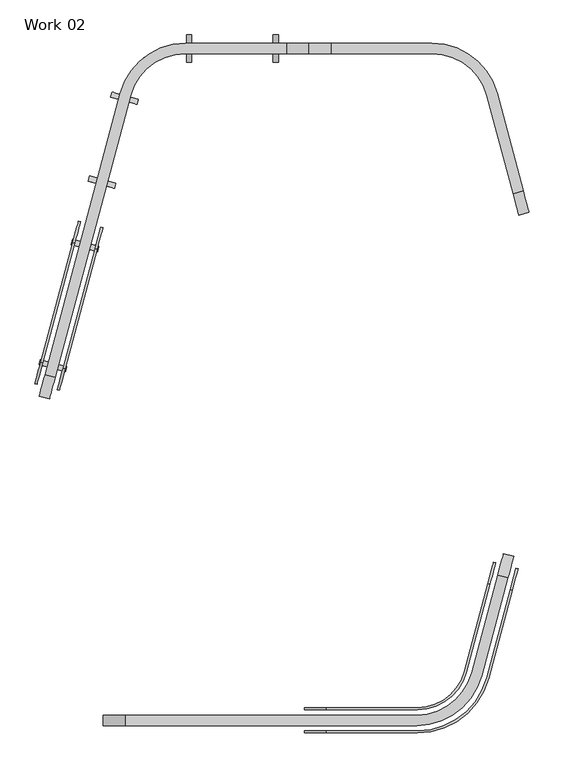
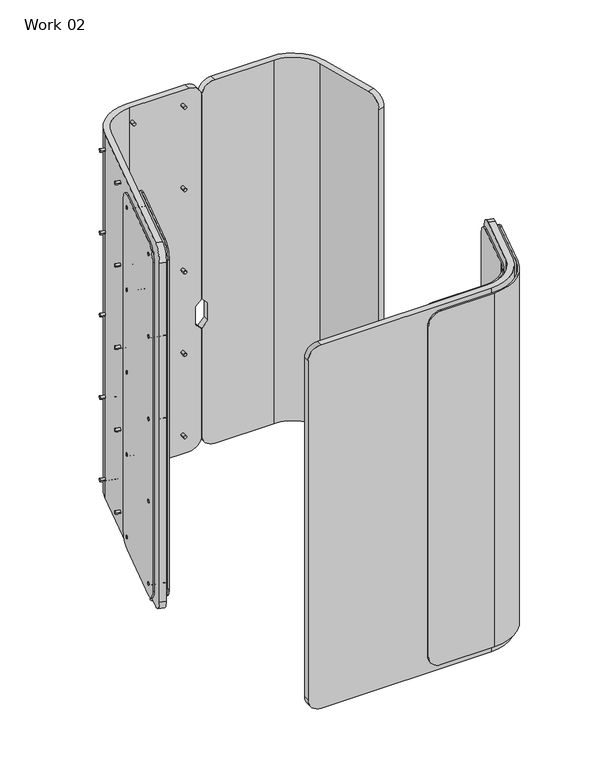
"""IFC4 building model written with IfcOpenShell, lengths in millimetres: furniture geometry, Work 02."""

from ifc_helpers import new_model, si_unit, point, frame, frame_2d, origin, origin_with_axes, place, context, project, spatial, polyline, circle_curve, trimmed, segment, composite_curve, outline, extrude, source, transform, mapped, element, save
from ifc_brep_helpers import plane_surface, cylinder_surface, revolved_surface, advanced_brep


def work_02_b5fda25f(model_context):
    return source(origin(), model_context, "Body", "SolidModel", [
        advanced_brep(
        [(653.1051602, -41.0, 1520.0), (602.3051602, -41.0, 1469.2), (602.3051602, -41.0, 633.98), (627.3051602, -41.0, 608.98), (627.3051602, -41.0, 535.0), (602.3051602, -41.0, 510.0), (602.3051602, -41.0, 70.8), (653.1051602, -41.0, 20.0), (883.8635062, -41.0, 20.0), (883.8635062, -41.0, 1520.0), (653.1051602, -17.0, 20.0), (602.3051602, -17.0, 70.8), (602.3051602, -17.0, 510.0), (627.3051602, -17.0, 535.0), (627.3051602, -17.0, 608.98), (602.3051602, -17.0, 633.98), (602.3051602, -17.0, 1469.2), (653.1051602, -17.0, 1520.0), (883.8635062, -17.0, 1520.0), (883.8635062, -17.0, 20.0), (1032.6160835, -131.1418671, 20.0), (1092.3407382, -354.0373131, 20.0), (1069.1585184, -360.2489702, 20.0), (1009.4338636, -137.3535241, 20.0), (1009.4338636, -137.3535241, 1520.0), (1069.1585184, -360.2489702, 1520.0), (1092.3407382, -354.0373131, 1520.0), (1032.6160835, -131.1418671, 1520.0), (1105.4887457, -403.1063451, 1469.2), (1105.4887457, -403.1063451, 70.8), (1082.3065259, -409.3180022, 70.8), (1082.3065259, -409.3180022, 1469.2)],
        [
            (0, 1, circle_curve(frame((653.1051602, -41.0, 1469.2), z_axis=(0.0, -1.0, 0.0), x_axis=(-1.0, 0.0, 0.0)), 50.8)),
            (1, 2),
            (2, 3),
            (3, 4),
            (4, 5),
            (5, 6),
            (6, 7, circle_curve(frame((653.1051602, -41.0, 70.8), z_axis=(0.0, -1.0, 0.0), x_axis=(-1.0, 0.0, 0.0)), 50.8)),
            (7, 8),
            (8, 9),
            (9, 0),
            (10, 11, circle_curve(frame((653.1051602, -17.0, 70.8), z_axis=(0.0, 1.0, 0.0), x_axis=(-1.0, 0.0, 0.0)), 50.8)),
            (11, 12),
            (12, 13),
            (13, 14),
            (14, 15),
            (15, 16),
            (16, 17, circle_curve(frame((653.1051602, -17.0, 1469.2), z_axis=(0.0, 1.0, 0.0), x_axis=(-1.0, 0.0, 0.0)), 50.8)),
            (17, 18),
            (18, 19),
            (19, 10),
            (7, 10),
            (19, 20, circle_curve(frame((883.8635062, -171.0, 20.0), z_axis=(0.0, 0.0, -1.0), x_axis=(-1.0, 0.0, 0.0)), 154.0)),
            (20, 21),
            (21, 22),
            (22, 23),
            (23, 8, circle_curve(frame((883.8635062, -171.0, 20.0), z_axis=(0.0, 0.0, 1.0), x_axis=(-1.0, 0.0, 0.0)), 130.0)),
            (6, 11),
            (5, 12),
            (4, 13),
            (3, 14),
            (2, 15),
            (1, 16),
            (0, 17),
            (9, 24, circle_curve(frame((883.8635062, -171.0, 1520.0), z_axis=(0.0, 0.0, -1.0), x_axis=(-1.0, 0.0, 0.0)), 130.0)),
            (24, 25),
            (25, 26),
            (26, 27),
            (27, 18, circle_curve(frame((883.8635062, -171.0, 1520.0), z_axis=(0.0, 0.0, 1.0), x_axis=(-1.0, 0.0, 0.0)), 154.0)),
            (27, 20),
            (26, 28, circle_curve(frame((1092.3407382, -354.0373131, 1469.2), z_axis=(0.9659258262890679, 0.25881904510252246, 0.0), x_axis=(-0.25881904510252246, 0.9659258262890679, 0.0)), 50.8)),
            (28, 29),
            (29, 21, circle_curve(frame((1092.3407382, -354.0373131, 70.8), z_axis=(0.9659258262890679, 0.25881904510252246, 0.0), x_axis=(-0.25881904510252246, 0.9659258262890679, 0.0)), 50.8)),
            (24, 23),
            (22, 30, circle_curve(frame((1069.1585184, -360.2489702, 70.8), z_axis=(-0.9659258262890679, -0.25881904510252246, 0.0), x_axis=(-0.25881904510252246, 0.9659258262890679, 0.0)), 50.8)),
            (30, 31),
            (31, 25, circle_curve(frame((1069.1585184, -360.2489702, 1469.2), z_axis=(-0.9659258262890679, -0.25881904510252246, 0.0), x_axis=(-0.25881904510252246, 0.9659258262890679, 0.0)), 50.8)),
            (29, 30),
            (31, 28),
        ],
        [
            plane_surface(frame((652.3051602, -41.0, 1520.0), z_axis=(0.0, -1.0, 0.0), x_axis=(-1.0, 0.0, 0.0))),
            plane_surface(frame((652.3051602, -17.0, 1520.0), z_axis=(0.0, 1.0, 0.0), x_axis=(1.0, 0.0, 0.0))),
            plane_surface(frame((653.1051602, -41.0, 20.0), z_axis=(0.0, 0.0, -1.0), x_axis=(0.0, 1.0, 0.0))),
            cylinder_surface(frame((653.1051602, -17.0, 70.8), z_axis=(0.0, -1.0, 0.0), x_axis=(-1.0, 0.0, 0.0)), 50.8),
            plane_surface(frame((602.3051602, -41.0, 510.0), z_axis=(-1.0, 0.0, 0.0), x_axis=(0.0, 1.0, 0.0))),
            plane_surface(frame((627.3051602, -41.0, 535.0), z_axis=(-0.7071067811865485, 0.0, 0.7071067811865466), x_axis=(0.0, 1.0, 0.0))),
            plane_surface(frame((627.3051602, -41.0, 608.98), z_axis=(-1.0, 0.0, 0.0), x_axis=(0.0, 1.0, 0.0))),
            plane_surface(frame((602.3051602, -41.0, 633.98), z_axis=(-0.7071067811865447, 0.0, -0.7071067811865505), x_axis=(0.0, 1.0, 0.0))),
            plane_surface(frame((602.3051602, -41.0, 1469.2), z_axis=(-1.0, 0.0, 0.0), x_axis=(0.0, 1.0, 0.0))),
            cylinder_surface(frame((653.1051602, -17.0, 1469.2), z_axis=(0.0, -1.0, 0.0), x_axis=(-1.0, 0.0, 0.0)), 50.8),
            plane_surface(frame((677.7051602, -41.0, 1520.0), z_axis=(0.0, 0.0, 1.0), x_axis=(0.0, 1.0, 0.0))),
            cylinder_surface(frame((883.8635062, -171.0, 20.0), z_axis=(0.0, 0.0, 1.0), x_axis=(-1.0, 0.0, 0.0)), 154.0),
            plane_surface(frame((1077.756285, -299.6073928, 1520.0), z_axis=(0.9659258262890715, 0.2588190451025089, 0.0), x_axis=(0.0, 0.0, -1.0))),
            plane_surface(frame((1009.4338636, -137.3535241, 1520.0), z_axis=(-0.9659258262890651, -0.2588190451025328, 0.0), x_axis=(0.0, 0.0, -1.0))),
            revolved_surface(polyline([(753.8635062, -171.0, 20.0), (753.8635062, -171.0, 1520.0)]), (883.8635062, -171.0, 20.0), (0.0, 0.0, -1.0)),
            cylinder_surface(frame((1069.1585184, -360.2489702, 70.8), z_axis=(0.9659258262890679, 0.25881904510252246, 0.0), x_axis=(-0.25881904510252246, 0.9659258262890679, 0.0)), 50.8),
            cylinder_surface(frame((1069.1585184, -360.2489702, 1469.2), z_axis=(0.9659258262890679, 0.25881904510252246, 0.0), x_axis=(-0.25881904510252246, 0.9659258262890679, 0.0)), 50.8),
            plane_surface(frame((1105.4887457, -403.1063451, 1469.2), z_axis=(0.2588190451025219, -0.965925826289068, 0.0), x_axis=(-0.965925826289068, -0.2588190451025219, 0.0))),
        ],
        [
            (0, [[1, 2, 3, 4, 5, 6, 7, 8, 9, 10]]),
            (1, [[11, 12, 13, 14, 15, 16, 17, 18, 19, 20]]),
            (2, [[21, -20, 22, 23, 24, 25, 26, -8]]),
            (3, [[-7, 27, -11, -21]]),
            (4, [[-6, 28, -12, -27]]),
            (5, [[-5, 29, -13, -28]]),
            (6, [[-4, 30, -14, -29]]),
            (7, [[-3, 31, -15, -30]]),
            (8, [[-2, 32, -16, -31]]),
            (9, [[-1, 33, -17, -32]]),
            (10, [[-33, -10, 34, 35, 36, 37, 38, -18]]),
            (11, [[-38, 39, -22, -19]]),
            (12, [[-37, 40, 41, 42, -23, -39]]),
            (13, [[-35, 43, -25, 44, 45, 46]]),
            (14, [[-34, -9, -26, -43]]),
            (15, [[-42, 47, -44, -24]]),
            (16, [[-40, -36, -46, 48]]),
            (17, [[-41, -48, -45, -47]]),
        ],
    ),
        advanced_brep(
        [(320.7468142, -17.0, 1520.0), (171.9942369, -131.1418671, 1520.0), (-0.1249175, -773.4992965, 1520.0), (23.0573023, -779.7109536, 1520.0), (195.1764568, -137.3535241, 1520.0), (320.7468142, -41.0, 1520.0), (551.5051602, -41.0, 1520.0), (551.5051602, -17.0, 1520.0), (320.7468142, -41.0, 20.0), (195.1764568, -137.3535241, 20.0), (23.0573023, -779.7109536, 20.0), (-0.1249175, -773.4992965, 20.0), (171.9942369, -131.1418671, 20.0), (320.7468142, -17.0, 20.0), (551.5051602, -17.0, 20.0), (551.5051602, -41.0, 20.0), (602.3051602, -17.0, 1469.2), (602.3051602, -17.0, 633.98), (577.3051602, -17.0, 608.98), (577.3051602, -17.0, 535.0), (602.3051602, -17.0, 510.0), (602.3051602, -17.0, 70.8), (-13.272925, -822.5683285, 70.8), (-13.272925, -822.5683285, 1469.2), (9.9092948, -828.7799856, 1469.2), (9.9092948, -828.7799856, 70.8), (602.3051602, -41.0, 70.8), (602.3051602, -41.0, 510.0), (577.3051602, -41.0, 535.0), (577.3051602, -41.0, 608.98), (602.3051602, -41.0, 633.98), (602.3051602, -41.0, 1469.2)],
        [
            (0, 1, circle_curve(frame((320.7468142, -171.0, 1520.0), z_axis=(0.0, 0.0, 1.0), x_axis=(1.0, 0.0, 0.0)), 154.0)),
            (1, 2),
            (2, 3),
            (3, 4),
            (4, 5, circle_curve(frame((320.7468142, -171.0, 1520.0), z_axis=(0.0, 0.0, -1.0), x_axis=(1.0, 0.0, 0.0)), 130.0)),
            (5, 6),
            (6, 7),
            (7, 0),
            (8, 9, circle_curve(frame((320.7468142, -171.0, 20.0), z_axis=(0.0, 0.0, 1.0), x_axis=(1.0, 0.0, 0.0)), 130.0)),
            (9, 10),
            (10, 11),
            (11, 12),
            (12, 13, circle_curve(frame((320.7468142, -171.0, 20.0), z_axis=(0.0, 0.0, -1.0), x_axis=(1.0, 0.0, 0.0)), 154.0)),
            (13, 14),
            (14, 15),
            (15, 8),
            (7, 16, circle_curve(frame((551.5051602, -17.0, 1469.2), z_axis=(0.0, 1.0, 0.0), x_axis=(1.0, 0.0, 0.0)), 50.8)),
            (16, 17),
            (17, 18),
            (18, 19),
            (19, 20),
            (20, 21),
            (21, 14, circle_curve(frame((551.5051602, -17.0, 70.8), z_axis=(0.0, 1.0, 0.0), x_axis=(1.0, 0.0, 0.0)), 50.8)),
            (13, 0),
            (12, 1),
            (11, 22, circle_curve(frame((-0.1249175, -773.4992965, 70.8), z_axis=(-0.9659258262896977, 0.25881904510017184, 0.0), x_axis=(-0.25881904510017184, -0.9659258262896977, 0.0)), 50.8)),
            (22, 23),
            (23, 2, circle_curve(frame((-0.1249175, -773.4992965, 1469.2), z_axis=(-0.9659258262896977, 0.25881904510017184, 0.0), x_axis=(-0.25881904510017184, -0.9659258262896977, 0.0)), 50.8)),
            (9, 4),
            (3, 24, circle_curve(frame((23.0573023, -779.7109536, 1469.2), z_axis=(0.9659258262896977, -0.25881904510017184, 0.0), x_axis=(-0.25881904510017184, -0.9659258262896977, 0.0)), 50.8)),
            (24, 25),
            (25, 10, circle_curve(frame((23.0573023, -779.7109536, 70.8), z_axis=(0.9659258262896977, -0.25881904510017184, 0.0), x_axis=(-0.25881904510017184, -0.9659258262896977, 0.0)), 50.8)),
            (8, 5),
            (15, 26, circle_curve(frame((551.5051602, -41.0, 70.8), z_axis=(0.0, -1.0, 0.0), x_axis=(1.0, 0.0, 0.0)), 50.8)),
            (26, 27),
            (27, 28),
            (28, 29),
            (29, 30),
            (30, 31),
            (31, 6, circle_curve(frame((551.5051602, -41.0, 1469.2), z_axis=(0.0, -1.0, 0.0), x_axis=(1.0, 0.0, 0.0)), 50.8)),
            (25, 22),
            (24, 23),
            (21, 26),
            (20, 27),
            (19, 28),
            (18, 29),
            (17, 30),
            (16, 31),
        ],
        [
            plane_surface(frame((526.9051602, -17.0, 1520.0), z_axis=(0.0, 0.0, 1.0), x_axis=(0.0, 1.0, 0.0))),
            plane_surface(frame((526.9051602, -17.0, 20.0), z_axis=(0.0, 0.0, -1.0), x_axis=(0.0, -1.0, 0.0))),
            plane_surface(frame((526.9051602, -17.0, 1520.0), z_axis=(0.0, 1.0, 0.0), x_axis=(0.0, 0.0, -1.0))),
            cylinder_surface(frame((320.7468142, -171.0, 20.0), z_axis=(0.0, 0.0, 1.0), x_axis=(1.0, 0.0, 0.0)), 154.0),
            plane_surface(frame((171.9942369, -131.1418671, 1520.0), z_axis=(-0.9659258262890715, 0.2588190451025091, 0.0), x_axis=(0.0, 0.0, -1.0))),
            plane_surface(frame((29.4242508, -755.9491783, 1520.0), z_axis=(0.9659258262890698, -0.2588190451025155, 0.0), x_axis=(0.0, 0.0, -1.0))),
            revolved_surface(polyline([(450.7468142, -171.0, 20.0), (450.7468142, -171.0, 1520.0)]), (320.7468142, -171.0, 20.0), (0.0, 0.0, -1.0)),
            plane_surface(frame((320.7468142, -41.0, 1520.0), z_axis=(0.0, -1.0, 0.0), x_axis=(0.0, 0.0, -1.0))),
            cylinder_surface(frame((-0.1249175, -773.4992965, 70.8), z_axis=(0.9659258262896977, -0.25881904510017184, 0.0), x_axis=(-0.25881904510017184, -0.9659258262896977, 0.0)), 50.8),
            plane_surface(frame((9.9092948, -828.7799856, 1469.2), z_axis=(-0.2588190451001697, -0.9659258262896984, 0.0), x_axis=(-0.9659258262896984, 0.2588190451001697, 0.0))),
            cylinder_surface(frame((-0.1249175, -773.4992965, 1469.2), z_axis=(0.9659258262896977, -0.25881904510017184, 0.0), x_axis=(-0.25881904510017184, -0.9659258262896977, 0.0)), 50.8),
            cylinder_surface(frame((551.5051602, -17.0, 70.8), z_axis=(0.0, -1.0, 0.0), x_axis=(1.0, 0.0, 0.0)), 50.8),
            plane_surface(frame((602.3051602, -41.0, 70.8), z_axis=(1.0, 0.0, 0.0), x_axis=(0.0, 1.0, 0.0))),
            plane_surface(frame((602.3051602, -41.0, 510.0), z_axis=(0.7071067811865485, 0.0, 0.7071067811865466), x_axis=(0.0, 1.0, 0.0))),
            plane_surface(frame((577.3051602, -41.0, 535.0), z_axis=(1.0, 0.0, 0.0), x_axis=(0.0, 1.0, 0.0))),
            plane_surface(frame((577.3051602, -41.0, 608.98), z_axis=(0.7071067811865456, 0.0, -0.7071067811865495), x_axis=(0.0, 1.0, 0.0))),
            plane_surface(frame((602.3051602, -41.0, 633.98), z_axis=(1.0, 0.0, 0.0), x_axis=(0.0, 1.0, 0.0))),
            cylinder_surface(frame((551.5051602, -17.0, 1469.2), z_axis=(0.0, -1.0, 0.0), x_axis=(1.0, 0.0, 0.0)), 50.8),
        ],
        [
            (0, [[1, 2, 3, 4, 5, 6, 7, 8]]),
            (1, [[9, 10, 11, 12, 13, 14, 15, 16]]),
            (2, [[-8, 17, 18, 19, 20, 21, 22, 23, -14, 24]]),
            (3, [[-1, -24, -13, 25]]),
            (4, [[-25, -12, 26, 27, 28, -2]]),
            (5, [[29, -4, 30, 31, 32, -10]]),
            (6, [[-5, -29, -9, 33]]),
            (7, [[-6, -33, -16, 34, 35, 36, 37, 38, 39, 40]]),
            (8, [[-32, 41, -26, -11]]),
            (9, [[-31, 42, -27, -41]]),
            (10, [[-30, -3, -28, -42]]),
            (11, [[-34, -15, -23, 43]]),
            (12, [[-35, -43, -22, 44]]),
            (13, [[-36, -44, -21, 45]]),
            (14, [[-37, -45, -20, 46]]),
            (15, [[-38, -46, -19, 47]]),
            (16, [[-39, -47, -18, 48]]),
            (17, [[-40, -48, -17, -7]]),
        ],
    ),
        advanced_brep(
        [(850.4575891, -1591.1786441, 1510.0), (1013.6990538, -1465.9190627, 1510.0), (1067.3504301, -1265.6894004, 1510.0), (1062.5208009, -1264.3953052, 1510.0), (1008.8694246, -1464.6249675, 1510.0), (850.4575891, -1586.1786441, 1510.0), (643.1645891, -1586.1786441, 1510.0), (643.1645891, -1591.1786441, 1510.0), (850.4575891, -1586.1786441, 50.0), (1008.8694246, -1464.6249675, 50.0), (1062.5208009, -1264.3953052, 50.0), (1067.3504301, -1265.6894004, 50.0), (1013.6990538, -1465.9190627, 50.0), (850.4575891, -1591.1786441, 50.0), (643.1645891, -1591.1786441, 50.0), (643.1645891, -1586.1786441, 50.0), (592.3645891, -1591.1786441, 1459.2), (592.3645891, -1591.1786441, 100.8), (1080.4984376, -1216.6203684, 100.8), (1080.4984376, -1216.6203684, 1459.2), (1075.6688084, -1215.3262732, 1459.2), (1075.6688084, -1215.3262732, 100.8), (592.3645891, -1586.1786441, 100.8), (592.3645891, -1586.1786441, 1459.2)],
        [
            (0, 1, circle_curve(frame((850.4575891, -1422.1786441, 1510.0), z_axis=(0.0, 0.0, 1.0), x_axis=(-1.0, 0.0, 0.0)), 169.0)),
            (1, 2),
            (2, 3),
            (3, 4),
            (4, 5, circle_curve(frame((850.4575891, -1422.1786441, 1510.0), z_axis=(0.0, 0.0, -1.0), x_axis=(-1.0, 0.0, 0.0)), 164.0)),
            (5, 6),
            (6, 7),
            (7, 0),
            (8, 9, circle_curve(frame((850.4575891, -1422.1786441, 50.0), z_axis=(0.0, 0.0, 1.0), x_axis=(-1.0, 0.0, 0.0)), 164.0)),
            (9, 10),
            (10, 11),
            (11, 12),
            (12, 13, circle_curve(frame((850.4575891, -1422.1786441, 50.0), z_axis=(0.0, 0.0, -1.0), x_axis=(-1.0, 0.0, 0.0)), 169.0)),
            (13, 14),
            (14, 15),
            (15, 8),
            (13, 0),
            (7, 16, circle_curve(frame((643.1645891, -1591.1786441, 1459.2), z_axis=(0.0, -1.0, 0.0), x_axis=(-1.0, 0.0, 0.0)), 50.8)),
            (16, 17),
            (17, 14, circle_curve(frame((643.1645891, -1591.1786441, 100.8), z_axis=(0.0, -1.0, 0.0), x_axis=(-1.0, 0.0, 0.0)), 50.8)),
            (12, 1),
            (11, 18, circle_curve(frame((1067.3504301, -1265.6894004, 100.8), z_axis=(0.9659258262890663, -0.2588190451025283, 0.0), x_axis=(-0.2588190451025283, -0.9659258262890663, 0.0)), 50.8)),
            (18, 19),
            (19, 2, circle_curve(frame((1067.3504301, -1265.6894004, 1459.2), z_axis=(0.9659258262890663, -0.2588190451025283, 0.0), x_axis=(-0.2588190451025283, -0.9659258262890663, 0.0)), 50.8)),
            (9, 4),
            (3, 20, circle_curve(frame((1062.5208009, -1264.3953052, 1459.2), z_axis=(-0.9659258262890663, 0.2588190451025283, 0.0), x_axis=(-0.2588190451025283, -0.9659258262890663, 0.0)), 50.8)),
            (20, 21),
            (21, 10, circle_curve(frame((1062.5208009, -1264.3953052, 100.8), z_axis=(-0.9659258262890663, 0.2588190451025283, 0.0), x_axis=(-0.2588190451025283, -0.9659258262890663, 0.0)), 50.8)),
            (8, 5),
            (15, 22, circle_curve(frame((643.1645891, -1586.1786441, 100.8), z_axis=(0.0, 1.0, 0.0), x_axis=(-1.0, 0.0, 0.0)), 50.8)),
            (22, 23),
            (23, 6, circle_curve(frame((643.1645891, -1586.1786441, 1459.2), z_axis=(0.0, 1.0, 0.0), x_axis=(-1.0, 0.0, 0.0)), 50.8)),
            (21, 18),
            (19, 20),
            (17, 22),
            (16, 23),
        ],
        [
            plane_surface(frame((667.7645891, -1591.1786441, 1510.0), z_axis=(0.0, 0.0, 1.0), x_axis=(0.0, -1.0, 0.0))),
            plane_surface(frame((667.7645891, -1591.1786441, 50.0), z_axis=(0.0, 0.0, -1.0), x_axis=(0.0, 1.0, 0.0))),
            plane_surface(frame((667.7645891, -1591.1786441, 1510.0), z_axis=(0.0, -1.0, 0.0), x_axis=(0.0, 0.0, -1.0))),
            cylinder_surface(frame((850.4575891, -1422.1786441, 50.0), z_axis=(0.0, 0.0, 1.0), x_axis=(-1.0, 0.0, 0.0)), 169.0),
            plane_surface(frame((1013.6990538, -1465.9190627, 1510.0), z_axis=(0.9659258262890711, -0.25881904510251047, 0.0), x_axis=(0.0, 0.0, -1.0))),
            plane_surface(frame((1052.6623709, -1301.1874671, 1510.0), z_axis=(-0.9659258262890714, 0.25881904510250914, 0.0), x_axis=(0.0, 0.0, -1.0))),
            revolved_surface(polyline([(686.4575891, -1422.1786441, 50.0), (686.4575891, -1422.1786441, 1510.0)]), (850.4575891, -1422.1786441, 50.0), (0.0, 0.0, -1.0)),
            plane_surface(frame((850.4575891, -1586.1786441, 1510.0), z_axis=(0.0, 1.0, 0.0), x_axis=(0.0, 0.0, -1.0))),
            cylinder_surface(frame((1062.5208009, -1264.3953052, 100.8), z_axis=(0.9659258262890663, -0.2588190451025283, 0.0), x_axis=(-0.2588190451025283, -0.9659258262890663, 0.0)), 50.8),
            cylinder_surface(frame((1062.5208009, -1264.3953052, 1459.2), z_axis=(0.9659258262890663, -0.2588190451025283, 0.0), x_axis=(-0.2588190451025283, -0.9659258262890663, 0.0)), 50.8),
            plane_surface(frame((1080.4984376, -1216.6203684, 100.8), z_axis=(0.25881904510253967, 0.9659258262890633, 0.0), x_axis=(-0.9659258262890633, 0.25881904510253967, 0.0))),
            cylinder_surface(frame((643.1645891, -1591.1786441, 100.8), z_axis=(0.0, 1.0, 0.0), x_axis=(-1.0, 0.0, 0.0)), 50.8),
            plane_surface(frame((592.3645891, -1586.1786441, 100.8), z_axis=(-1.0, 0.0, 0.0), x_axis=(0.0, -1.0, 0.0))),
            cylinder_surface(frame((643.1645891, -1591.1786441, 1459.2), z_axis=(0.0, 1.0, 0.0), x_axis=(-1.0, 0.0, 0.0)), 50.8),
        ],
        [
            (0, [[1, 2, 3, 4, 5, 6, 7, 8]]),
            (1, [[9, 10, 11, 12, 13, 14, 15, 16]]),
            (2, [[17, -8, 18, 19, 20, -14]]),
            (3, [[-1, -17, -13, 21]]),
            (4, [[-21, -12, 22, 23, 24, -2]]),
            (5, [[25, -4, 26, 27, 28, -10]]),
            (6, [[-5, -25, -9, 29]]),
            (7, [[-29, -16, 30, 31, 32, -6]]),
            (8, [[-22, -11, -28, 33]]),
            (9, [[-24, 34, -26, -3]]),
            (10, [[-23, -33, -27, -34]]),
            (11, [[-30, -15, -20, 35]]),
            (12, [[-31, -35, -19, 36]]),
            (13, [[-32, -36, -18, -7]]),
        ],
    ),
        advanced_brep(
        [(850.4575891, -1538.1786441, 1510.0), (962.504985, -1452.2016533, 1510.0), (1016.1563613, -1251.971991, 1510.0), (1011.3267321, -1250.6778958, 1510.0), (957.6753558, -1450.9075581, 1510.0), (850.4575891, -1533.1786441, 1510.0), (643.1645891, -1533.1786441, 1510.0), (643.1645891, -1538.1786441, 1510.0), (850.4575891, -1533.1786441, 50.0), (957.6753558, -1450.9075581, 50.0), (1011.3267321, -1250.6778958, 50.0), (1016.1563613, -1251.971991, 50.0), (962.504985, -1452.2016533, 50.0), (850.4575891, -1538.1786441, 50.0), (643.1645891, -1538.1786441, 50.0), (643.1645891, -1533.1786441, 50.0), (592.3645891, -1538.1786441, 1459.2), (592.3645891, -1538.1786441, 100.8), (1029.3043688, -1202.902959, 100.8), (1029.3043688, -1202.902959, 1459.2), (1024.4747396, -1201.6088638, 1459.2), (1024.4747396, -1201.6088638, 100.8), (592.3645891, -1533.1786441, 100.8), (592.3645891, -1533.1786441, 1459.2)],
        [
            (0, 1, circle_curve(frame((850.4575891, -1422.1786441, 1510.0), z_axis=(0.0, 0.0, 1.0), x_axis=(-1.0, 0.0, 0.0)), 116.0)),
            (1, 2),
            (2, 3),
            (3, 4),
            (4, 5, circle_curve(frame((850.4575891, -1422.1786441, 1510.0), z_axis=(0.0, 0.0, -1.0), x_axis=(-1.0, 0.0, 0.0)), 111.0)),
            (5, 6),
            (6, 7),
            (7, 0),
            (8, 9, circle_curve(frame((850.4575891, -1422.1786441, 50.0), z_axis=(0.0, 0.0, 1.0), x_axis=(-1.0, 0.0, 0.0)), 111.0)),
            (9, 10),
            (10, 11),
            (11, 12),
            (12, 13, circle_curve(frame((850.4575891, -1422.1786441, 50.0), z_axis=(0.0, 0.0, -1.0), x_axis=(-1.0, 0.0, 0.0)), 116.0)),
            (13, 14),
            (14, 15),
            (15, 8),
            (7, 16, circle_curve(frame((643.1645891, -1538.1786441, 1459.2), z_axis=(0.0, -1.0, 0.0), x_axis=(-1.0, 0.0, 0.0)), 50.8)),
            (16, 17),
            (17, 14, circle_curve(frame((643.1645891, -1538.1786441, 100.8), z_axis=(0.0, -1.0, 0.0), x_axis=(-1.0, 0.0, 0.0)), 50.8)),
            (13, 0),
            (12, 1),
            (11, 18, circle_curve(frame((1016.1563613, -1251.971991, 100.8), z_axis=(0.9659258262890663, -0.2588190451025283, 0.0), x_axis=(-0.2588190451025283, -0.9659258262890663, 0.0)), 50.8)),
            (18, 19),
            (19, 2, circle_curve(frame((1016.1563613, -1251.971991, 1459.2), z_axis=(0.9659258262890663, -0.2588190451025283, 0.0), x_axis=(-0.2588190451025283, -0.9659258262890663, 0.0)), 50.8)),
            (9, 4),
            (3, 20, circle_curve(frame((1011.3267321, -1250.6778958, 1459.2), z_axis=(-0.9659258262890663, 0.2588190451025283, 0.0), x_axis=(-0.2588190451025283, -0.9659258262890663, 0.0)), 50.8)),
            (20, 21),
            (21, 10, circle_curve(frame((1011.3267321, -1250.6778958, 100.8), z_axis=(-0.9659258262890663, 0.2588190451025283, 0.0), x_axis=(-0.2588190451025283, -0.9659258262890663, 0.0)), 50.8)),
            (8, 5),
            (15, 22, circle_curve(frame((643.1645891, -1533.1786441, 100.8), z_axis=(0.0, 1.0, 0.0), x_axis=(-1.0, 0.0, 0.0)), 50.8)),
            (22, 23),
            (23, 6, circle_curve(frame((643.1645891, -1533.1786441, 1459.2), z_axis=(0.0, 1.0, 0.0), x_axis=(-1.0, 0.0, 0.0)), 50.8)),
            (21, 18),
            (19, 20),
            (17, 22),
            (16, 23),
        ],
        [
            plane_surface(frame((667.7645891, -1591.1786441, 1510.0), z_axis=(0.0, 0.0, 1.0), x_axis=(0.0, -1.0, 0.0))),
            plane_surface(frame((667.7645891, -1591.1786441, 50.0), z_axis=(0.0, 0.0, -1.0), x_axis=(0.0, 1.0, 0.0))),
            plane_surface(frame((667.7645891, -1538.1786441, 1510.0), z_axis=(0.0, -1.0, 0.0), x_axis=(0.0, 0.0, -1.0))),
            cylinder_surface(frame((850.4575891, -1422.1786441, 0.0), z_axis=(0.0, 0.0, 1.0), x_axis=(-1.0, 0.0, 0.0)), 116.0),
            plane_surface(frame((962.504985, -1452.2016533, 1510.0), z_axis=(0.9659258262890694, -0.2588190451025167, 0.0), x_axis=(0.0, 0.0, -1.0))),
            plane_surface(frame((1001.4683021, -1287.4700577, 1510.0), z_axis=(-0.9659258262890691, 0.2588190451025181, 0.0), x_axis=(0.0, 0.0, -1.0))),
            revolved_surface(polyline([(739.4575891, -1422.1786441, 50.0), (739.4575891, -1422.1786441, 1510.0)]), (850.4575891, -1422.1786441, 0.0), (0.0, 0.0, -1.0)),
            plane_surface(frame((850.4575891, -1533.1786441, 1510.0), z_axis=(0.0, 1.0, 0.0), x_axis=(0.0, 0.0, -1.0))),
            cylinder_surface(frame((1011.3267321, -1250.6778958, 100.8), z_axis=(0.9659258262890663, -0.2588190451025283, 0.0), x_axis=(-0.2588190451025283, -0.9659258262890663, 0.0)), 50.8),
            cylinder_surface(frame((1011.3267321, -1250.6778958, 1459.2), z_axis=(0.9659258262890663, -0.2588190451025283, 0.0), x_axis=(-0.2588190451025283, -0.9659258262890663, 0.0)), 50.8),
            plane_surface(frame((1029.3043688, -1202.902959, 100.8), z_axis=(0.25881904510251935, 0.9659258262890688, 0.0), x_axis=(-0.9659258262890688, 0.25881904510251935, 0.0))),
            cylinder_surface(frame((643.1645891, -1538.1786441, 100.8), z_axis=(0.0, 1.0, 0.0), x_axis=(-1.0, 0.0, 0.0)), 50.8),
            plane_surface(frame((592.3645891, -1533.1786441, 100.8), z_axis=(-1.0, 0.0, 0.0), x_axis=(0.0, -1.0, 0.0))),
            cylinder_surface(frame((643.1645891, -1538.1786441, 1459.2), z_axis=(0.0, 1.0, 0.0), x_axis=(-1.0, 0.0, 0.0)), 50.8),
        ],
        [
            (0, [[1, 2, 3, 4, 5, 6, 7, 8]]),
            (1, [[9, 10, 11, 12, 13, 14, 15, 16]]),
            (2, [[-8, 17, 18, 19, -14, 20]]),
            (3, [[-1, -20, -13, 21]]),
            (4, [[-21, -12, 22, 23, 24, -2]]),
            (5, [[25, -4, 26, 27, 28, -10]]),
            (6, [[-5, -25, -9, 29]]),
            (7, [[-6, -29, -16, 30, 31, 32]]),
            (8, [[-22, -11, -28, 33]]),
            (9, [[-24, 34, -26, -3]]),
            (10, [[-23, -33, -27, -34]]),
            (11, [[-30, -15, -19, 35]]),
            (12, [[-31, -35, -18, 36]]),
            (13, [[-32, -36, -17, -7]]),
        ],
    ),
        advanced_brep(
        [(1070.5481746, -1188.072299, 70.8), (1070.5481746, -1188.072299, 1469.2), (1057.4001671, -1237.141331, 1520.0), (997.6755124, -1460.036777, 1520.0), (997.6755124, -1460.036777, 20.0), (1057.4001671, -1237.141331, 20.0), (1047.3659548, -1181.8606419, 70.8), (1034.2179473, -1230.9296739, 20.0), (974.4932926, -1453.8251199, 20.0), (974.4932926, -1453.8251199, 1520.0), (1034.2179473, -1230.9296739, 1520.0), (1047.3659548, -1181.8606419, 1469.2), (848.9229351, -1574.1786441, 20.0), (183.9055891, -1574.1786441, 20.0), (183.9055891, -1550.1786441, 20.0), (848.9229351, -1550.1786441, 20.0), (848.9229351, -1550.1786441, 1520.0), (183.9055891, -1550.1786441, 1520.0), (183.9055891, -1574.1786441, 1520.0), (848.9229351, -1574.1786441, 1520.0), (133.1055891, -1574.1786441, 1469.2), (133.1055891, -1574.1786441, 70.8), (133.1055891, -1550.1786441, 70.8), (133.1055891, -1550.1786441, 1469.2)],
        [
            (0, 1),
            (1, 2, circle_curve(frame((1057.4001671, -1237.141331, 1469.2), z_axis=(0.9659258262890663, -0.25881904510252807, 0.0), x_axis=(-0.25881904510252807, -0.9659258262890663, 0.0)), 50.8)),
            (2, 3),
            (3, 4),
            (4, 5),
            (5, 0, circle_curve(frame((1057.4001671, -1237.141331, 70.8), z_axis=(0.9659258262890663, -0.25881904510252807, 0.0), x_axis=(-0.25881904510252807, -0.9659258262890663, 0.0)), 50.8)),
            (6, 7, circle_curve(frame((1034.2179473, -1230.9296739, 70.8), z_axis=(-0.9659258262890663, 0.25881904510252807, 0.0), x_axis=(-0.25881904510252807, -0.9659258262890663, 0.0)), 50.8)),
            (7, 8),
            (8, 9),
            (9, 10),
            (10, 11, circle_curve(frame((1034.2179473, -1230.9296739, 1469.2), z_axis=(-0.9659258262890663, 0.25881904510252807, 0.0), x_axis=(-0.25881904510252807, -0.9659258262890663, 0.0)), 50.8)),
            (11, 6),
            (5, 7),
            (6, 0),
            (4, 12, circle_curve(frame((848.9229351, -1420.1786441, 20.0), z_axis=(0.0, 0.0, -1.0), x_axis=(-1.0, 0.0, 0.0)), 154.0)),
            (12, 13),
            (13, 14),
            (14, 15),
            (15, 8, circle_curve(frame((848.9229351, -1420.1786441, 20.0), z_axis=(0.0, 0.0, 1.0), x_axis=(-1.0, 0.0, 0.0)), 130.0)),
            (2, 10),
            (9, 16, circle_curve(frame((848.9229351, -1420.1786441, 1520.0), z_axis=(0.0, 0.0, -1.0), x_axis=(-1.0, 0.0, 0.0)), 130.0)),
            (16, 17),
            (17, 18),
            (18, 19),
            (19, 3, circle_curve(frame((848.9229351, -1420.1786441, 1520.0), z_axis=(0.0, 0.0, 1.0), x_axis=(-1.0, 0.0, 0.0)), 154.0)),
            (1, 11),
            (18, 20, circle_curve(frame((183.9055891, -1574.1786441, 1469.2), z_axis=(0.0, -1.0, 0.0), x_axis=(-1.0, 0.0, 0.0)), 50.8)),
            (20, 21),
            (21, 13, circle_curve(frame((183.9055891, -1574.1786441, 70.8), z_axis=(0.0, -1.0, 0.0), x_axis=(-1.0, 0.0, 0.0)), 50.8)),
            (12, 19),
            (16, 15),
            (14, 22, circle_curve(frame((183.9055891, -1550.1786441, 70.8), z_axis=(0.0, 1.0, 0.0), x_axis=(-1.0, 0.0, 0.0)), 50.8)),
            (22, 23),
            (23, 17, circle_curve(frame((183.9055891, -1550.1786441, 1469.2), z_axis=(0.0, 1.0, 0.0), x_axis=(-1.0, 0.0, 0.0)), 50.8)),
            (21, 22),
            (20, 23),
        ],
        [
            plane_surface(frame((1070.5481746, -1188.072299, 1470.0), z_axis=(0.9659258262890665, -0.25881904510252746, 0.0), x_axis=(0.0, 0.0, 1.0))),
            plane_surface(frame((1047.3659548, -1181.8606419, 1470.0), z_axis=(-0.9659258262890665, 0.25881904510252746, 0.0), x_axis=(0.0, 0.0, -1.0))),
            cylinder_surface(frame((1034.2179473, -1230.9296739, 70.8), z_axis=(0.9659258262890663, -0.25881904510252807, 0.0), x_axis=(-0.25881904510252807, -0.9659258262890663, 0.0)), 50.8),
            plane_surface(frame((1042.815714, -1291.5712513, 20.0), z_axis=(0.0, 0.0, -1.0), x_axis=(-0.9659258262890673, 0.2588190451025245, 0.0))),
            plane_surface(frame((1057.4001671, -1237.141331, 1520.0), z_axis=(0.0, 0.0, 1.0), x_axis=(-0.9659258262890673, 0.2588190451025245, 0.0))),
            cylinder_surface(frame((1034.2179473, -1230.9296739, 1469.2), z_axis=(0.9659258262890663, -0.25881904510252807, 0.0), x_axis=(-0.25881904510252807, -0.9659258262890663, 0.0)), 50.8),
            plane_surface(frame((1070.5481746, -1188.072299, 70.8), z_axis=(0.2588190451025298, 0.965925826289066, 0.0), x_axis=(-0.965925826289066, 0.2588190451025298, 0.0))),
            plane_surface(frame((208.5055891, -1574.1786441, 1520.0), z_axis=(0.0, -1.0, 0.0), x_axis=(0.0, 0.0, -1.0))),
            plane_surface(frame((848.9229351, -1550.1786441, 1520.0), z_axis=(0.0, 1.0, 0.0), x_axis=(0.0, 0.0, -1.0))),
            cylinder_surface(frame((848.9229351, -1420.1786441, 20.0), z_axis=(0.0, 0.0, 1.0), x_axis=(-1.0, 0.0, 0.0)), 154.0),
            revolved_surface(polyline([(718.9229351, -1420.1786441, 20.0), (718.9229351, -1420.1786441, 1520.0)]), (848.9229351, -1420.1786441, 20.0), (0.0, 0.0, -1.0)),
            cylinder_surface(frame((183.9055891, -1574.1786441, 70.8), z_axis=(0.0, 1.0, 0.0), x_axis=(-1.0, 0.0, 0.0)), 50.8),
            plane_surface(frame((133.1055891, -1550.1786441, 70.8), z_axis=(-1.0, 0.0, 0.0), x_axis=(0.0, -1.0, 0.0))),
            cylinder_surface(frame((183.9055891, -1574.1786441, 1469.2), z_axis=(0.0, 1.0, 0.0), x_axis=(-1.0, 0.0, 0.0)), 50.8),
        ],
        [
            (0, [[1, 2, 3, 4, 5, 6]]),
            (1, [[7, 8, 9, 10, 11, 12]]),
            (2, [[-6, 13, -7, 14]]),
            (3, [[-13, -5, 15, 16, 17, 18, 19, -8]]),
            (4, [[20, -10, 21, 22, 23, 24, 25, -3]]),
            (5, [[-2, 26, -11, -20]]),
            (6, [[-1, -14, -12, -26]]),
            (7, [[-24, 27, 28, 29, -16, 30]]),
            (8, [[-22, 31, -18, 32, 33, 34]]),
            (9, [[-25, -30, -15, -4]]),
            (10, [[-21, -9, -19, -31]]),
            (11, [[-32, -17, -29, 35]]),
            (12, [[-33, -35, -28, 36]]),
            (13, [[-34, -36, -27, -23]]),
        ],
    ),
        extrude(outline(composite_curve([segment(trimmed(circle_curve(frame_2d((0.0, -6.0)), 6.0), [point((0.0, -12.0))], [point((0.0, 0.0))], False, "CARTESIAN"), True, "CONTINUOUS"), segment(trimmed(circle_curve(frame_2d((0.0, -6.0)), 6.0), [point((0.0, 0.0))], [point((0.0, -12.0))], False, "CARTESIAN"), True, "CONTINUOUS")], self_intersect=False)), frame((46.1203996, -767.0486654, 1460.0), z_axis=(-0.9659258262896977, 0.25881904510017184, 0.0), x_axis=(0.0, 0.0, -1.0)), (0.0, 0.0, 1.0), 62.0),
        extrude(outline(composite_curve([segment(trimmed(circle_curve(frame_2d((0.0, -290.259)), 6.0), [point((0.0, -296.259))], [point((0.0, -284.2589999))], False, "CARTESIAN"), True, "CONTINUOUS"), segment(trimmed(circle_curve(frame_2d((0.0, -290.259)), 6.0), [point((0.0, -284.2589999))], [point((0.0, -296.259))], False, "CARTESIAN"), True, "CONTINUOUS")], self_intersect=False)), frame((46.1203996, -767.0486654, 1460.0), z_axis=(-0.9659258262896977, 0.25881904510017184, 0.0), x_axis=(0.0, 0.0, -1.0)), (0.0, 0.0, 1.0), 62.0),
        extrude(outline(composite_curve([segment(trimmed(circle_curve(frame_2d((340.0, -6.0)), 6.0), [point((340.0, -12.0))], [point((340.0, 0.0))], False, "CARTESIAN"), True, "CONTINUOUS"), segment(trimmed(circle_curve(frame_2d((340.0, -6.0)), 6.0), [point((340.0, 0.0))], [point((340.0, -12.0))], False, "CARTESIAN"), True, "CONTINUOUS")], self_intersect=False)), frame((46.1203996, -767.0486654, 1460.0), z_axis=(-0.9659258262896977, 0.25881904510017184, 0.0), x_axis=(0.0, 0.0, -1.0)), (0.0, 0.0, 1.0), 62.0),
        extrude(outline(composite_curve([segment(trimmed(circle_curve(frame_2d((340.0, -290.259)), 6.0), [point((340.0, -296.259))], [point((340.0, -284.2589999))], False, "CARTESIAN"), True, "CONTINUOUS"), segment(trimmed(circle_curve(frame_2d((340.0, -290.259)), 6.0), [point((340.0, -284.2589999))], [point((340.0, -296.259))], False, "CARTESIAN"), True, "CONTINUOUS")], self_intersect=False)), frame((46.1203996, -767.0486654, 1460.0), z_axis=(-0.9659258262896977, 0.25881904510017184, 0.0), x_axis=(0.0, 0.0, -1.0)), (0.0, 0.0, 1.0), 62.0),
        extrude(outline(composite_curve([segment(trimmed(circle_curve(frame_2d((680.0, -6.0)), 6.0), [point((680.0, -12.0))], [point((680.0, 0.0))], False, "CARTESIAN"), True, "CONTINUOUS"), segment(trimmed(circle_curve(frame_2d((680.0, -6.0)), 6.0), [point((680.0, 0.0))], [point((680.0, -12.0))], False, "CARTESIAN"), True, "CONTINUOUS")], self_intersect=False)), frame((46.1203996, -767.0486654, 1460.0), z_axis=(-0.9659258262896977, 0.25881904510017184, 0.0), x_axis=(0.0, 0.0, -1.0)), (0.0, 0.0, 1.0), 62.0),
        extrude(outline(composite_curve([segment(trimmed(circle_curve(frame_2d((680.0, -290.259)), 6.0), [point((680.0, -296.259))], [point((680.0, -284.2589999))], False, "CARTESIAN"), True, "CONTINUOUS"), segment(trimmed(circle_curve(frame_2d((680.0, -290.259)), 6.0), [point((680.0, -284.2589999))], [point((680.0, -296.259))], False, "CARTESIAN"), True, "CONTINUOUS")], self_intersect=False)), frame((46.1203996, -767.0486654, 1460.0), z_axis=(-0.9659258262896977, 0.25881904510017184, 0.0), x_axis=(0.0, 0.0, -1.0)), (0.0, 0.0, 1.0), 62.0),
        extrude(outline(composite_curve([segment(trimmed(circle_curve(frame_2d((1020.0, -6.0)), 6.0), [point((1020.0, -12.0))], [point((1020.0, 0.0))], False, "CARTESIAN"), True, "CONTINUOUS"), segment(trimmed(circle_curve(frame_2d((1020.0, -6.0)), 6.0), [point((1020.0, 0.0))], [point((1020.0, -12.0))], False, "CARTESIAN"), True, "CONTINUOUS")], self_intersect=False)), frame((46.1203996, -767.0486654, 1460.0), z_axis=(-0.9659258262896977, 0.25881904510017184, 0.0), x_axis=(0.0, 0.0, -1.0)), (0.0, 0.0, 1.0), 62.0),
        extrude(outline(composite_curve([segment(trimmed(circle_curve(frame_2d((1020.0, -290.259)), 6.0), [point((1020.0, -296.259))], [point((1020.0, -284.2589999))], False, "CARTESIAN"), True, "CONTINUOUS"), segment(trimmed(circle_curve(frame_2d((1020.0, -290.259)), 6.0), [point((1020.0, -284.2589999))], [point((1020.0, -296.259))], False, "CARTESIAN"), True, "CONTINUOUS")], self_intersect=False)), frame((46.1203996, -767.0486654, 1460.0), z_axis=(-0.9659258262896977, 0.25881904510017184, 0.0), x_axis=(0.0, 0.0, -1.0)), (0.0, 0.0, 1.0), 62.0),
        extrude(outline(composite_curve([segment(trimmed(circle_curve(frame_2d((1360.0, -6.0)), 6.0), [point((1360.0, -12.0))], [point((1360.0, 0.0))], False, "CARTESIAN"), True, "CONTINUOUS"), segment(trimmed(circle_curve(frame_2d((1360.0, -6.0)), 6.0), [point((1360.0, 0.0))], [point((1360.0, -12.0))], False, "CARTESIAN"), True, "CONTINUOUS")], self_intersect=False)), frame((46.1203996, -767.0486654, 1460.0), z_axis=(-0.9659258262896977, 0.25881904510017184, 0.0), x_axis=(0.0, 0.0, -1.0)), (0.0, 0.0, 1.0), 62.0),
        extrude(outline(composite_curve([segment(trimmed(circle_curve(frame_2d((1360.0, -290.259)), 6.0), [point((1360.0, -296.259))], [point((1360.0, -284.2589999))], False, "CARTESIAN"), True, "CONTINUOUS"), segment(trimmed(circle_curve(frame_2d((1360.0, -290.259)), 6.0), [point((1360.0, -284.2589999))], [point((1360.0, -296.259))], False, "CARTESIAN"), True, "CONTINUOUS")], self_intersect=False)), frame((46.1203996, -767.0486654, 1460.0), z_axis=(-0.9659258262896977, 0.25881904510017184, 0.0), x_axis=(0.0, 0.0, -1.0)), (0.0, 0.0, 1.0), 62.0),
        extrude(outline(composite_curve([segment(trimmed(circle_curve(frame_2d((29.455769, -709.7630579)), 11.4859648), [point((29.455769, -698.2770931))], [point((29.455769, -721.2490226))], False, "CARTESIAN"), True, "CONTINUOUS"), segment(trimmed(circle_curve(frame_2d((29.455769, -709.7630579)), 11.4859648), [point((29.455769, -721.2490226))], [point((29.455769, -698.2770931))], False, "CARTESIAN"), True, "CONTINUOUS")], self_intersect=False)), origin_with_axes(), (0.0, 0.0, 1.0), 20.0),
        extrude(outline(composite_curve([segment(trimmed(circle_curve(frame_2d((233.9855601, -57.9305324)), 11.5), [point((233.9855601, -46.4305324))], [point((233.9855601, -69.4305324))], False, "CARTESIAN"), True, "CONTINUOUS"), segment(trimmed(circle_curve(frame_2d((233.9855601, -57.9305324)), 11.5), [point((233.9855601, -69.4305324))], [point((233.9855601, -46.4305324))], False, "CARTESIAN"), True, "CONTINUOUS")], self_intersect=False)), origin_with_axes(), (0.0, 0.0, 1.0), 20.0),
        extrude(outline(composite_curve([segment(trimmed(circle_curve(frame_2d((317.5995711, -50.8)), 50.8), [point((317.5995711, 0.0))], [point((368.3995711, -50.8))], False, "CARTESIAN"), True, "CONTINUOUS"), segment(polyline([(368.3995711, -50.8), (368.3995711, -1409.2)]), True, "CONTINUOUS"), segment(trimmed(circle_curve(frame_2d((317.5995711, -1409.2)), 50.8), [point((368.3995711, -1409.2))], [point((317.5995711, -1460.0))], False, "CARTESIAN"), True, "CONTINUOUS"), segment(polyline([(317.5995711, -1460.0), (34.9405711, -1460.0)]), True, "CONTINUOUS"), segment(trimmed(circle_curve(frame_2d((34.9405711, -1409.2)), 50.8), [point((34.9405711, -1460.0))], [point((-15.8594289, -1409.2))], False, "CARTESIAN"), True, "CONTINUOUS"), segment(polyline([(-15.8594289, -1409.2), (-15.8594289, -50.8)]), True, "CONTINUOUS"), segment(trimmed(circle_curve(frame_2d((34.9405711, -50.8)), 50.8), [point((-15.8594289, -50.8))], [point((34.9405711, 0.0))], False, "CARTESIAN"), True, "CONTINUOUS"), segment(polyline([(34.9405711, 0.0), (317.5995711, 0.0)]), True, "CONTINUOUS")], self_intersect=False)), frame((128.1493352, -453.1851036, 1510.0), z_axis=(-0.9659258262896963, 0.25881904510017745, 0.0), x_axis=(-0.25881904510017745, -0.9659258262896963, 0.0)), (0.0, 0.0, 1.0), 5.0),
        extrude(outline(composite_curve([segment(trimmed(circle_curve(frame_2d((317.5995711, -50.8)), 50.8), [point((317.5995711, 0.0))], [point((368.3995711, -50.8))], False, "CARTESIAN"), True, "CONTINUOUS"), segment(polyline([(368.3995711, -50.8), (368.3995711, -1409.2)]), True, "CONTINUOUS"), segment(trimmed(circle_curve(frame_2d((317.5995711, -1409.2)), 50.8), [point((368.3995711, -1409.2))], [point((317.5995711, -1460.0))], False, "CARTESIAN"), True, "CONTINUOUS"), segment(polyline([(317.5995711, -1460.0), (34.9405711, -1460.0)]), True, "CONTINUOUS"), segment(trimmed(circle_curve(frame_2d((34.9405711, -1409.2)), 50.8), [point((34.9405711, -1460.0))], [point((-15.8594289, -1409.2))], False, "CARTESIAN"), True, "CONTINUOUS"), segment(polyline([(-15.8594289, -1409.2), (-15.8594289, -50.8)]), True, "CONTINUOUS"), segment(trimmed(circle_curve(frame_2d((34.9405711, -50.8)), 50.8), [point((-15.8594289, -50.8))], [point((34.9405711, 0.0))], False, "CARTESIAN"), True, "CONTINUOUS"), segment(polyline([(34.9405711, 0.0), (317.5995711, 0.0)]), True, "CONTINUOUS")], self_intersect=False)), frame((76.9552664, -439.4676942, 1510.0), z_axis=(-0.9659258262896963, 0.25881904510017745, 0.0), x_axis=(-0.25881904510017745, -0.9659258262896963, 0.0)), (0.0, 0.0, 1.0), 5.0),
        extrude(outline(composite_curve([segment(trimmed(circle_curve(frame_2d((0.0, -6.0)), 6.0), [point((0.0, -12.0))], [point((0.0, 0.0))], False, "CARTESIAN"), True, "CONTINUOUS"), segment(trimmed(circle_curve(frame_2d((0.0, -6.0)), 6.0), [point((0.0, 0.0))], [point((0.0, -12.0))], False, "CARTESIAN"), True, "CONTINUOUS")], self_intersect=False)), frame((335.2121602, -60.0, 1460.0), z_axis=(-2.432859469436721e-12, 1.0, 0.0), x_axis=(0.0, 0.0, 1.0)), (0.0, 0.0, 1.0), 62.0),
        extrude(outline(composite_curve([segment(trimmed(circle_curve(frame_2d((0.0, 192.093)), 6.0), [point((0.0, 186.093))], [point((0.0, 198.093))], False, "CARTESIAN"), True, "CONTINUOUS"), segment(trimmed(circle_curve(frame_2d((0.0, 192.093)), 6.0), [point((0.0, 198.093))], [point((0.0, 186.093))], False, "CARTESIAN"), True, "CONTINUOUS")], self_intersect=False)), frame((335.2121602, -60.0, 1460.0), z_axis=(-2.432859469436721e-12, 1.0, 0.0), x_axis=(0.0, 0.0, 1.0)), (0.0, 0.0, 1.0), 62.0),
        extrude(outline(composite_curve([segment(trimmed(circle_curve(frame_2d((-340.0, -6.0)), 6.0), [point((-340.0, -12.0))], [point((-340.0, 0.0))], False, "CARTESIAN"), True, "CONTINUOUS"), segment(trimmed(circle_curve(frame_2d((-340.0, -6.0)), 6.0), [point((-340.0, 0.0))], [point((-340.0, -12.0))], False, "CARTESIAN"), True, "CONTINUOUS")], self_intersect=False)), frame((335.2121602, -60.0, 1460.0), z_axis=(-2.432859469436721e-12, 1.0, 0.0), x_axis=(0.0, 0.0, 1.0)), (0.0, 0.0, 1.0), 62.0),
        extrude(outline(composite_curve([segment(trimmed(circle_curve(frame_2d((-340.0, 192.093)), 6.0), [point((-340.0, 186.093))], [point((-340.0, 198.093))], False, "CARTESIAN"), True, "CONTINUOUS"), segment(trimmed(circle_curve(frame_2d((-340.0, 192.093)), 6.0), [point((-340.0, 198.093))], [point((-340.0, 186.093))], False, "CARTESIAN"), True, "CONTINUOUS")], self_intersect=False)), frame((335.2121602, -60.0, 1460.0), z_axis=(-2.432859469436721e-12, 1.0, 0.0), x_axis=(0.0, 0.0, 1.0)), (0.0, 0.0, 1.0), 62.0),
        extrude(outline(composite_curve([segment(trimmed(circle_curve(frame_2d((-680.0, -6.0)), 6.0), [point((-680.0, -12.0))], [point((-680.0, 0.0))], False, "CARTESIAN"), True, "CONTINUOUS"), segment(trimmed(circle_curve(frame_2d((-680.0, -6.0)), 6.0), [point((-680.0, 0.0))], [point((-680.0, -12.0))], False, "CARTESIAN"), True, "CONTINUOUS")], self_intersect=False)), frame((335.2121602, -60.0, 1460.0), z_axis=(-2.432859469436721e-12, 1.0, 0.0), x_axis=(0.0, 0.0, 1.0)), (0.0, 0.0, 1.0), 62.0),
        extrude(outline(composite_curve([segment(trimmed(circle_curve(frame_2d((-680.0, 192.093)), 6.0), [point((-680.0, 186.093))], [point((-680.0, 198.093))], False, "CARTESIAN"), True, "CONTINUOUS"), segment(trimmed(circle_curve(frame_2d((-680.0, 192.093)), 6.0), [point((-680.0, 198.093))], [point((-680.0, 186.093))], False, "CARTESIAN"), True, "CONTINUOUS")], self_intersect=False)), frame((335.2121602, -60.0, 1460.0), z_axis=(-2.432859469436721e-12, 1.0, 0.0), x_axis=(0.0, 0.0, 1.0)), (0.0, 0.0, 1.0), 62.0),
        extrude(outline(composite_curve([segment(trimmed(circle_curve(frame_2d((-1020.0, -6.0)), 6.0), [point((-1020.0, -12.0))], [point((-1020.0, 0.0))], False, "CARTESIAN"), True, "CONTINUOUS"), segment(trimmed(circle_curve(frame_2d((-1020.0, -6.0)), 6.0), [point((-1020.0, 0.0))], [point((-1020.0, -12.0))], False, "CARTESIAN"), True, "CONTINUOUS")], self_intersect=False)), frame((335.2121602, -60.0, 1460.0), z_axis=(-2.432859469436721e-12, 1.0, 0.0), x_axis=(0.0, 0.0, 1.0)), (0.0, 0.0, 1.0), 62.0),
        extrude(outline(composite_curve([segment(trimmed(circle_curve(frame_2d((-1020.0, 192.093)), 6.0), [point((-1020.0, 186.093))], [point((-1020.0, 198.093))], False, "CARTESIAN"), True, "CONTINUOUS"), segment(trimmed(circle_curve(frame_2d((-1020.0, 192.093)), 6.0), [point((-1020.0, 198.093))], [point((-1020.0, 186.093))], False, "CARTESIAN"), True, "CONTINUOUS")], self_intersect=False)), frame((335.2121602, -60.0, 1460.0), z_axis=(-2.432859469436721e-12, 1.0, 0.0), x_axis=(0.0, 0.0, 1.0)), (0.0, 0.0, 1.0), 62.0),
        extrude(outline(composite_curve([segment(trimmed(circle_curve(frame_2d((-1360.0, -6.0)), 6.0), [point((-1360.0, -12.0))], [point((-1360.0, 0.0))], False, "CARTESIAN"), True, "CONTINUOUS"), segment(trimmed(circle_curve(frame_2d((-1360.0, -6.0)), 6.0), [point((-1360.0, 0.0))], [point((-1360.0, -12.0))], False, "CARTESIAN"), True, "CONTINUOUS")], self_intersect=False)), frame((335.2121602, -60.0, 1460.0), z_axis=(-2.432859469436721e-12, 1.0, 0.0), x_axis=(0.0, 0.0, 1.0)), (0.0, 0.0, 1.0), 62.0),
        extrude(outline(composite_curve([segment(trimmed(circle_curve(frame_2d((-1360.0, 192.093)), 6.0), [point((-1360.0, 186.093))], [point((-1360.0, 198.093))], False, "CARTESIAN"), True, "CONTINUOUS"), segment(trimmed(circle_curve(frame_2d((-1360.0, 192.093)), 6.0), [point((-1360.0, 198.093))], [point((-1360.0, 186.093))], False, "CARTESIAN"), True, "CONTINUOUS")], self_intersect=False)), frame((335.2121602, -60.0, 1460.0), z_axis=(-2.432859469436721e-12, 1.0, 0.0), x_axis=(0.0, 0.0, 1.0)), (0.0, 0.0, 1.0), 62.0),
        extrude(outline(composite_curve([segment(trimmed(circle_curve(frame_2d((0.0, -6.0)), 6.0), [point((0.0, -12.0))], [point((0.0, 0.0))], False, "CARTESIAN"), True, "CONTINUOUS"), segment(trimmed(circle_curve(frame_2d((0.0, -6.0)), 6.0), [point((0.0, 0.0))], [point((0.0, -12.0))], False, "CARTESIAN"), True, "CONTINUOUS")], self_intersect=False)), frame((158.5148993, -347.586682, 1460.0), z_axis=(-0.9659258262896977, 0.25881904510017184, 0.0), x_axis=(0.0, 0.0, -1.0)), (0.0, 0.0, 1.0), 62.0),
        extrude(outline(composite_curve([segment(trimmed(circle_curve(frame_2d((0.0, -204.093)), 6.0), [point((0.0, -210.093))], [point((0.0, -198.093))], False, "CARTESIAN"), True, "CONTINUOUS"), segment(trimmed(circle_curve(frame_2d((0.0, -204.093)), 6.0), [point((0.0, -198.093))], [point((0.0, -210.093))], False, "CARTESIAN"), True, "CONTINUOUS")], self_intersect=False)), frame((158.5148993, -347.586682, 1460.0), z_axis=(-0.9659258262896977, 0.25881904510017184, 0.0), x_axis=(0.0, 0.0, -1.0)), (0.0, 0.0, 1.0), 62.0),
        extrude(outline(composite_curve([segment(trimmed(circle_curve(frame_2d((340.0, -6.0)), 6.0), [point((340.0, -12.0))], [point((340.0, 0.0))], False, "CARTESIAN"), True, "CONTINUOUS"), segment(trimmed(circle_curve(frame_2d((340.0, -6.0)), 6.0), [point((340.0, 0.0))], [point((340.0, -12.0))], False, "CARTESIAN"), True, "CONTINUOUS")], self_intersect=False)), frame((158.5148993, -347.586682, 1460.0), z_axis=(-0.9659258262896977, 0.25881904510017184, 0.0), x_axis=(0.0, 0.0, -1.0)), (0.0, 0.0, 1.0), 62.0),
        extrude(outline(composite_curve([segment(trimmed(circle_curve(frame_2d((340.0, -204.093)), 6.0), [point((340.0, -210.093))], [point((340.0, -198.093))], False, "CARTESIAN"), True, "CONTINUOUS"), segment(trimmed(circle_curve(frame_2d((340.0, -204.093)), 6.0), [point((340.0, -198.093))], [point((340.0, -210.093))], False, "CARTESIAN"), True, "CONTINUOUS")], self_intersect=False)), frame((158.5148993, -347.586682, 1460.0), z_axis=(-0.9659258262896977, 0.25881904510017184, 0.0), x_axis=(0.0, 0.0, -1.0)), (0.0, 0.0, 1.0), 62.0),
        extrude(outline(composite_curve([segment(trimmed(circle_curve(frame_2d((680.0, -6.0)), 6.0), [point((680.0, -12.0))], [point((680.0, 0.0))], False, "CARTESIAN"), True, "CONTINUOUS"), segment(trimmed(circle_curve(frame_2d((680.0, -6.0)), 6.0), [point((680.0, 0.0))], [point((680.0, -12.0))], False, "CARTESIAN"), True, "CONTINUOUS")], self_intersect=False)), frame((158.5148993, -347.586682, 1460.0), z_axis=(-0.9659258262896977, 0.25881904510017184, 0.0), x_axis=(0.0, 0.0, -1.0)), (0.0, 0.0, 1.0), 62.0),
        extrude(outline(composite_curve([segment(trimmed(circle_curve(frame_2d((680.0, -204.093)), 6.0), [point((680.0, -210.093))], [point((680.0, -198.093))], False, "CARTESIAN"), True, "CONTINUOUS"), segment(trimmed(circle_curve(frame_2d((680.0, -204.093)), 6.0), [point((680.0, -198.093))], [point((680.0, -210.093))], False, "CARTESIAN"), True, "CONTINUOUS")], self_intersect=False)), frame((158.5148993, -347.586682, 1460.0), z_axis=(-0.9659258262896977, 0.25881904510017184, 0.0), x_axis=(0.0, 0.0, -1.0)), (0.0, 0.0, 1.0), 62.0),
        extrude(outline(composite_curve([segment(trimmed(circle_curve(frame_2d((1020.0, -6.0)), 6.0), [point((1020.0, -12.0))], [point((1020.0, 0.0))], False, "CARTESIAN"), True, "CONTINUOUS"), segment(trimmed(circle_curve(frame_2d((1020.0, -6.0)), 6.0), [point((1020.0, 0.0))], [point((1020.0, -12.0))], False, "CARTESIAN"), True, "CONTINUOUS")], self_intersect=False)), frame((158.5148993, -347.586682, 1460.0), z_axis=(-0.9659258262896977, 0.25881904510017184, 0.0), x_axis=(0.0, 0.0, -1.0)), (0.0, 0.0, 1.0), 62.0),
        extrude(outline(composite_curve([segment(trimmed(circle_curve(frame_2d((1020.0, -204.093)), 6.0), [point((1020.0, -210.093))], [point((1020.0, -198.093))], False, "CARTESIAN"), True, "CONTINUOUS"), segment(trimmed(circle_curve(frame_2d((1020.0, -204.093)), 6.0), [point((1020.0, -198.093))], [point((1020.0, -210.093))], False, "CARTESIAN"), True, "CONTINUOUS")], self_intersect=False)), frame((158.5148993, -347.586682, 1460.0), z_axis=(-0.9659258262896977, 0.25881904510017184, 0.0), x_axis=(0.0, 0.0, -1.0)), (0.0, 0.0, 1.0), 62.0),
        extrude(outline(composite_curve([segment(trimmed(circle_curve(frame_2d((1360.0, -6.0)), 6.0), [point((1360.0, -12.0))], [point((1360.0, 0.0))], False, "CARTESIAN"), True, "CONTINUOUS"), segment(trimmed(circle_curve(frame_2d((1360.0, -6.0)), 6.0), [point((1360.0, 0.0))], [point((1360.0, -12.0))], False, "CARTESIAN"), True, "CONTINUOUS")], self_intersect=False)), frame((158.5148993, -347.586682, 1460.0), z_axis=(-0.9659258262896977, 0.25881904510017184, 0.0), x_axis=(0.0, 0.0, -1.0)), (0.0, 0.0, 1.0), 62.0),
        extrude(outline(composite_curve([segment(trimmed(circle_curve(frame_2d((1360.0, -204.093)), 6.0), [point((1360.0, -210.093))], [point((1360.0, -198.093))], False, "CARTESIAN"), True, "CONTINUOUS"), segment(trimmed(circle_curve(frame_2d((1360.0, -204.093)), 6.0), [point((1360.0, -198.093))], [point((1360.0, -210.093))], False, "CARTESIAN"), True, "CONTINUOUS")], self_intersect=False)), frame((158.5148993, -347.586682, 1460.0), z_axis=(-0.9659258262896977, 0.25881904510017184, 0.0), x_axis=(0.0, 0.0, -1.0)), (0.0, 0.0, 1.0), 62.0),
    ])


if __name__ == "__main__":
    model = new_model("IFC4")
    model_context = context("Model", 3, world=origin())
    ifc_project = project(units=[si_unit("LENGTHUNIT", "METRE", prefix="MILLI")], contexts=[model_context])
    site = spatial("IfcSite", under=ifc_project)
    building = spatial("IfcBuilding", under=site)
    placement = place(None, origin())
    work_02_shape = work_02_b5fda25f(model_context)
    element("IfcFurniture", 1, ObjectType="Work 02", at=placement, inside=building, context=model_context, shape_type="MappedRepresentation", body=[
        mapped(work_02_shape, transform((0.0, 0.0, 0.0), x_axis=(1.0, 0.0, 0.0), y_axis=(0.0, 1.0, 0.0), z_axis=(0.0, 0.0, 1.0))),
    ])
    save(model, "model.ifc")
